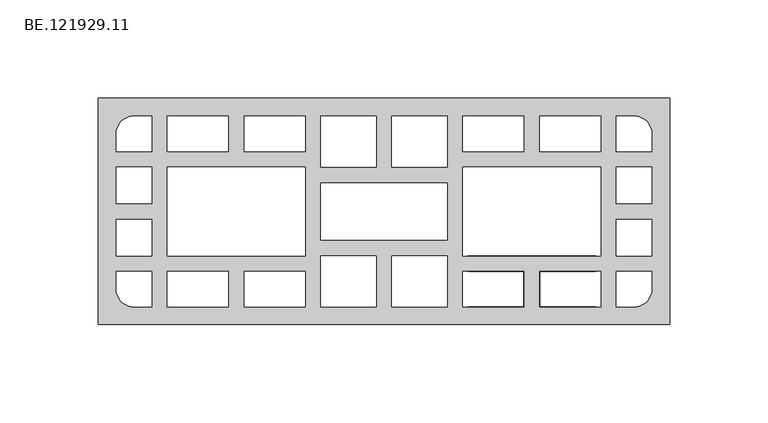
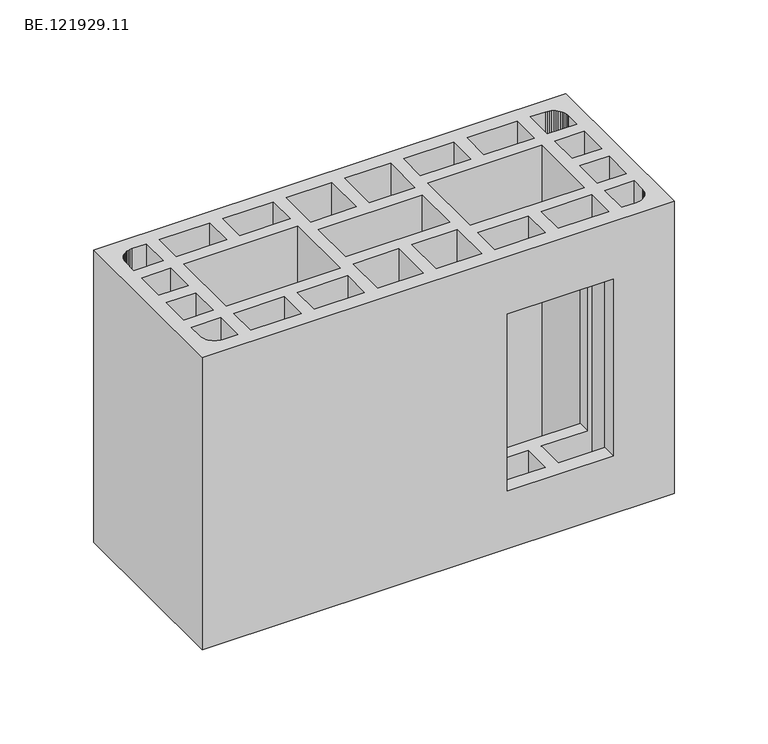
"""IFC4 building model written with IfcOpenShell, lengths in millimetres: proxy geometry, BE.121929.11."""

from ifc_helpers import new_model, si_unit, origin, place, context, project, spatial, faceted_brep, source, transform, mapped, element, save


def be_121929_11_0b062c3d(model_context):
    return source(origin(), model_context, "Body", "Brep", [
        faceted_brep([(295.0, 57.5034668, 190.0), (5.0, 57.5034668, 190.0), (5.0, -57.5034668, 190.0), (295.0, -57.5034668, 190.0), (71.0052734, 48.4993652, 190.0), (71.0052734, 30.5097656, 190.0), (39.9932129, 30.5097656, 190.0), (39.9932129, 48.4993652, 190.0), (110.0075439, 48.4993652, 190.0), (110.0075439, 30.5097656, 190.0), (79.0047852, 30.5097656, 190.0), (79.0047852, 48.4993652, 190.0), (145.9960449, 48.4993652, 190.0), (145.9960449, 22.5009521, 190.0), (118.0070557, 22.5009521, 190.0), (118.0070557, 48.4993652, 190.0), (182.0031494, 14.5014404, 190.0), (182.0031494, -14.5014404, 190.0), (118.0070557, -14.5014404, 190.0), (118.0070557, 14.5014404, 190.0), (182.0031494, 22.5009521, 190.0), (153.9955566, 22.5009521, 190.0), (153.9955566, 48.4993652, 190.0), (182.0031494, 48.4993652, 190.0), (110.0075439, 22.5009521, 190.0), (110.0075439, -22.5009521, 190.0), (39.9932129, -22.5009521, 190.0), (39.9932129, 22.5009521, 190.0), (71.0052734, -48.4993652, 190.0), (39.9932129, -48.4993652, 190.0), (39.9932129, -30.5004639, 190.0), (71.0052734, -30.5004639, 190.0), (110.0075439, -48.4993652, 190.0), (79.0047852, -48.4993652, 190.0), (79.0047852, -30.5004639, 190.0), (110.0075439, -30.5004639, 190.0), (145.9960449, -48.4993652, 190.0), (118.0070557, -48.4993652, 190.0), (118.0070557, -22.5009521, 190.0), (145.9960449, -22.5009521, 190.0), (182.0031494, -22.5009521, 190.0), (182.0031494, -48.4993652, 190.0), (153.9955566, -48.4993652, 190.0), (153.9955566, -22.5009521, 190.0), (32.0020996, 22.5009521, 190.0), (32.0020996, 3.9997559, 190.0), (14.0125, 3.9997559, 190.0), (14.0125, 22.5009521, 190.0), (32.0020996, -22.5009521, 190.0), (14.0125, -22.5009521, 190.0), (14.0125, -3.9997559, 190.0), (32.0020996, -3.9997559, 190.0), (14.0041016, 30.5004639, 190.0), (14.0041016, 39.5045654, 190.0), (14.0785156, 40.6765869, 190.0), (14.3110596, 41.8300049, 190.0), (14.6924316, 42.9462158, 190.0), (15.2133301, 43.9973145, 190.0), (15.8644531, 44.9833008, 190.0), (16.636499, 45.8669678, 190.0), (17.5294678, 46.6390137, 190.0), (18.5061523, 47.2994385, 190.0), (19.557251, 47.8203369, 190.0), (20.6734619, 48.1924072, 190.0), (21.8268799, 48.4249512, 190.0), (23.0082031, 48.4993652, 190.0), (32.0030029, 48.4993652, 190.0), (32.0030029, 30.5004639, 190.0), (14.0041016, -30.5004639, 190.0), (32.0030029, -30.5004639, 190.0), (32.0030029, -48.4993652, 190.0), (23.0082031, -48.4993652, 190.0), (21.8268799, -48.4249512, 190.0), (20.6734619, -48.1924072, 190.0), (19.557251, -47.8203369, 190.0), (18.5061523, -47.2994385, 190.0), (17.5294678, -46.6390137, 190.0), (16.636499, -45.8669678, 190.0), (15.8644531, -44.9833008, 190.0), (15.2133301, -43.9973145, 190.0), (14.6924316, -42.9462158, 190.0), (14.3110596, -41.8300049, 190.0), (14.0785156, -40.6765869, 190.0), (14.0041016, -39.5045654, 190.0), (229.0049316, 48.4993652, 190.0), (260.0169922, 48.4993652, 190.0), (260.0169922, 30.5097656, 190.0), (229.0049316, 30.5097656, 190.0), (190.0026611, 48.4993652, 190.0), (221.0054199, 48.4993652, 190.0), (221.0054199, 30.5097656, 190.0), (190.0026611, 30.5097656, 190.0), (190.0026611, 22.5009521, 190.0), (260.0169922, 22.5009521, 190.0), (260.0169922, -22.5009521, 190.0), (190.0026611, -22.5009521, 190.0), (229.0049316, -48.4993652, 190.0), (229.0049316, -30.5004639, 190.0), (260.0169922, -30.5004639, 190.0), (260.0169922, -48.4993652, 190.0), (190.0026611, -48.4993652, 190.0), (190.0026611, -30.5004639, 190.0), (221.0054199, -30.5004639, 190.0), (221.0054199, -48.4993652, 190.0), (268.0081055, 22.5009521, 190.0), (285.9977051, 22.5009521, 190.0), (285.9977051, 3.9997559, 190.0), (268.0081055, 3.9997559, 190.0), (268.0081055, -22.5009521, 190.0), (268.0081055, -3.9997559, 190.0), (285.9977051, -3.9997559, 190.0), (285.9977051, -22.5009521, 190.0), (286.0061035, 30.5004639, 190.0), (268.0072021, 30.5004639, 190.0), (268.0072021, 48.4993652, 190.0), (277.002002, 48.4993652, 190.0), (278.1833252, 48.4249512, 190.0), (279.3367432, 48.1924072, 190.0), (280.4529541, 47.8203369, 190.0), (281.5040527, 47.2994385, 190.0), (282.4807373, 46.6390137, 190.0), (283.3737061, 45.8669678, 190.0), (284.145752, 44.9833008, 190.0), (284.796875, 43.9973145, 190.0), (285.3177734, 42.9462158, 190.0), (285.6991455, 41.8300049, 190.0), (285.9316895, 40.6765869, 190.0), (286.0061035, 39.5045654, 190.0), (286.0061035, -30.5004639, 190.0), (286.0061035, -39.5045654, 190.0), (285.9316895, -40.6765869, 190.0), (285.6991455, -41.8300049, 190.0), (285.3177734, -42.9462158, 190.0), (284.796875, -43.9973145, 190.0), (284.145752, -44.9833008, 190.0), (283.3737061, -45.8669678, 190.0), (282.4807373, -46.6390137, 190.0), (281.5040527, -47.2994385, 190.0), (280.4529541, -47.8203369, 190.0), (279.3367432, -48.1924072, 190.0), (278.1833252, -48.4249512, 190.0), (277.002002, -48.4993652, 190.0), (268.0072021, -48.4993652, 190.0), (268.0072021, -30.5004639, 190.0), (295.0, 57.5034668, 0.0), (295.0, -57.5034668, 0.0), (5.0, -57.5034668, 0.0), (5.0, 57.5034668, 0.0), (71.0052734, 48.4993652, 0.0), (39.9932129, 48.4993652, 0.0), (39.9932129, 30.5097656, 0.0), (71.0052734, 30.5097656, 0.0), (110.0075439, 48.4993652, 0.0), (79.0047852, 48.4993652, 0.0), (79.0047852, 30.5097656, 0.0), (110.0075439, 30.5097656, 0.0), (145.9960449, 48.4993652, 0.0), (118.0070557, 48.4993652, 0.0), (118.0070557, 22.5009521, 0.0), (145.9960449, 22.5009521, 0.0), (182.0031494, 14.5014404, 0.0), (118.0070557, 14.5014404, 0.0), (118.0070557, -14.5014404, 0.0), (182.0031494, -14.5014404, 0.0), (182.0031494, 22.5009521, 0.0), (182.0031494, 48.4993652, 0.0), (153.9955566, 48.4993652, 0.0), (153.9955566, 22.5009521, 0.0), (110.0075439, 22.5009521, 0.0), (39.9932129, 22.5009521, 0.0), (39.9932129, -22.5009521, 0.0), (110.0075439, -22.5009521, 0.0), (71.0052734, -48.4993652, 0.0), (71.0052734, -30.5004639, 0.0), (39.9932129, -30.5004639, 0.0), (39.9932129, -48.4993652, 0.0), (110.0075439, -48.4993652, 0.0), (110.0075439, -30.5004639, 0.0), (79.0047852, -30.5004639, 0.0), (79.0047852, -48.4993652, 0.0), (145.9960449, -48.4993652, 0.0), (145.9960449, -22.5009521, 0.0), (118.0070557, -22.5009521, 0.0), (118.0070557, -48.4993652, 0.0), (182.0031494, -22.5009521, 0.0), (153.9955566, -22.5009521, 0.0), (153.9955566, -48.4993652, 0.0), (182.0031494, -48.4993652, 0.0), (32.0020996, 22.5009521, 0.0), (14.0125, 22.5009521, 0.0), (14.0125, 3.9997559, 0.0), (32.0020996, 3.9997559, 0.0), (32.0020996, -22.5009521, 0.0), (32.0020996, -3.9997559, 0.0), (14.0125, -3.9997559, 0.0), (14.0125, -22.5009521, 0.0), (14.0041016, 30.5004639, 0.0), (32.0030029, 30.5004639, 0.0), (32.0030029, 48.4993652, 0.0), (23.0082031, 48.4993652, 0.0), (21.8268799, 48.4249512, 0.0), (20.6734619, 48.1924072, 0.0), (19.557251, 47.8203369, 0.0), (18.5061523, 47.2994385, 0.0), (17.5294678, 46.6390137, 0.0), (16.636499, 45.8669678, 0.0), (15.8644531, 44.9833008, 0.0), (15.2133301, 43.9973145, 0.0), (14.6924316, 42.9462158, 0.0), (14.3110596, 41.8300049, 0.0), (14.0785156, 40.6765869, 0.0), (14.0041016, 39.5045654, 0.0), (14.0041016, -30.5004639, 0.0), (14.0041016, -39.5045654, 0.0), (14.0785156, -40.6765869, 0.0), (14.3110596, -41.8300049, 0.0), (14.6924316, -42.9462158, 0.0), (15.2133301, -43.9973145, 0.0), (15.8644531, -44.9833008, 0.0), (16.636499, -45.8669678, 0.0), (17.5294678, -46.6390137, 0.0), (18.5061523, -47.2994385, 0.0), (19.557251, -47.8203369, 0.0), (20.6734619, -48.1924072, 0.0), (21.8268799, -48.4249512, 0.0), (23.0082031, -48.4993652, 0.0), (32.0030029, -48.4993652, 0.0), (32.0030029, -30.5004639, 0.0), (229.0049316, 48.4993652, 0.0), (229.0049316, 30.5097656, 0.0), (260.0169922, 30.5097656, 0.0), (260.0169922, 48.4993652, 0.0), (190.0026611, 48.4993652, 0.0), (190.0026611, 30.5097656, 0.0), (221.0054199, 30.5097656, 0.0), (221.0054199, 48.4993652, 0.0), (190.0026611, 22.5009521, 0.0), (190.0026611, -22.5009521, 0.0), (260.0169922, -22.5009521, 0.0), (260.0169922, 22.5009521, 0.0), (229.0049316, -48.4993652, 0.0), (260.0169922, -48.4993652, 0.0), (260.0169922, -30.5004639, 0.0), (229.0049316, -30.5004639, 0.0), (190.0026611, -48.4993652, 0.0), (221.0054199, -48.4993652, 0.0), (221.0054199, -30.5004639, 0.0), (190.0026611, -30.5004639, 0.0), (268.0081055, 22.5009521, 0.0), (268.0081055, 3.9997559, 0.0), (285.9977051, 3.9997559, 0.0), (285.9977051, 22.5009521, 0.0), (268.0081055, -22.5009521, 0.0), (285.9977051, -22.5009521, 0.0), (285.9977051, -3.9997559, 0.0), (268.0081055, -3.9997559, 0.0), (286.0061035, 30.5004639, 0.0), (286.0061035, 39.5045654, 0.0), (285.9316895, 40.6765869, 0.0), (285.6991455, 41.8300049, 0.0), (285.3177734, 42.9462158, 0.0), (284.796875, 43.9973145, 0.0), (284.145752, 44.9833008, 0.0), (283.3737061, 45.8669678, 0.0), (282.4807373, 46.6390137, 0.0), (281.5040527, 47.2994385, 0.0), (280.4529541, 47.8203369, 0.0), (279.3367432, 48.1924072, 0.0), (278.1833252, 48.4249512, 0.0), (277.002002, 48.4993652, 0.0), (268.0072021, 48.4993652, 0.0), (268.0072021, 30.5004639, 0.0), (286.0061035, -30.5004639, 0.0), (268.0072021, -30.5004639, 0.0), (268.0072021, -48.4993652, 0.0), (277.002002, -48.4993652, 0.0), (278.1833252, -48.4249512, 0.0), (279.3367432, -48.1924072, 0.0), (280.4529541, -47.8203369, 0.0), (281.5040527, -47.2994385, 0.0), (282.4807373, -46.6390137, 0.0), (283.3737061, -45.8669678, 0.0), (284.145752, -44.9833008, 0.0), (284.796875, -43.9973145, 0.0), (285.3177734, -42.9462158, 0.0), (285.6991455, -41.8300049, 0.0), (285.9316895, -40.6765869, 0.0), (286.0061035, -39.5045654, 0.0), (192.504834, -57.5034668, 152.5023193), (257.5055176, -57.5034668, 152.5023193), (257.5055176, -57.5034668, 37.5046875), (192.504834, -57.5034668, 37.5046875), (257.5055176, -22.5009521, 152.5023193), (192.504834, -22.5009521, 152.5023193), (192.504834, -22.5009521, 37.5046875), (257.5055176, -22.5009521, 37.5046875), (229.0049316, -48.4993652, 152.5023193), (229.0049316, -30.5004639, 152.5023193), (229.0049316, -30.5004639, 37.5046875), (229.0049316, -48.4993652, 37.5046875), (257.5055176, -30.5004639, 152.5023193), (257.5055176, -30.5004639, 37.5046875), (257.5055176, -48.4993652, 37.5046875), (257.5055176, -48.4993652, 152.5023193), (221.0054199, -30.5004639, 37.5046875), (192.504834, -30.5004639, 37.5046875), (192.504834, -30.5004639, 152.5023193), (221.0054199, -30.5004639, 152.5023193), (221.0054199, -48.4993652, 152.5023193), (221.0054199, -48.4993652, 37.5046875), (192.504834, -48.4993652, 152.5023193), (192.504834, -48.4993652, 37.5046875)], [[[0, 1, 2, 3], [4, 5, 6, 7], [8, 9, 10, 11], [12, 13, 14, 15], [16, 17, 18, 19], [20, 21, 22, 23], [24, 25, 26, 27], [28, 29, 30, 31], [32, 33, 34, 35], [36, 37, 38, 39], [40, 41, 42, 43], [44, 45, 46, 47], [48, 49, 50, 51], [52, 53, 54, 55, 56, 57, 58, 59, 60, 61, 62, 63, 64, 65, 66, 67], [68, 69, 70, 71, 72, 73, 74, 75, 76, 77, 78, 79, 80, 81, 82, 83], [84, 85, 86, 87], [88, 89, 90, 91], [92, 93, 94, 95], [96, 97, 98, 99], [100, 101, 102, 103], [104, 105, 106, 107], [108, 109, 110, 111], [112, 113, 114, 115, 116, 117, 118, 119, 120, 121, 122, 123, 124, 125, 126, 127], [128, 129, 130, 131, 132, 133, 134, 135, 136, 137, 138, 139, 140, 141, 142, 143]], [[144, 145, 146, 147], [148, 149, 150, 151], [152, 153, 154, 155], [156, 157, 158, 159], [160, 161, 162, 163], [164, 165, 166, 167], [168, 169, 170, 171], [172, 173, 174, 175], [176, 177, 178, 179], [180, 181, 182, 183], [184, 185, 186, 187], [188, 189, 190, 191], [192, 193, 194, 195], [196, 197, 198, 199, 200, 201, 202, 203, 204, 205, 206, 207, 208, 209, 210, 211], [212, 213, 214, 215, 216, 217, 218, 219, 220, 221, 222, 223, 224, 225, 226, 227], [228, 229, 230, 231], [232, 233, 234, 235], [236, 237, 238, 239], [240, 241, 242, 243], [244, 245, 246, 247], [248, 249, 250, 251], [252, 253, 254, 255], [256, 257, 258, 259, 260, 261, 262, 263, 264, 265, 266, 267, 268, 269, 270, 271], [272, 273, 274, 275, 276, 277, 278, 279, 280, 281, 282, 283, 284, 285, 286, 287]], [[1, 0, 144, 147]], [[2, 1, 147, 146]], [[3, 2, 146, 145], [288, 289, 290, 291]], [[0, 3, 145, 144]], [[5, 4, 148, 151]], [[6, 5, 151, 150]], [[7, 6, 150, 149]], [[4, 7, 149, 148]], [[9, 8, 152, 155]], [[10, 9, 155, 154]], [[11, 10, 154, 153]], [[8, 11, 153, 152]], [[13, 12, 156, 159]], [[14, 13, 159, 158]], [[15, 14, 158, 157]], [[12, 15, 157, 156]], [[17, 16, 160, 163]], [[18, 17, 163, 162]], [[19, 18, 162, 161]], [[16, 19, 161, 160]], [[21, 20, 164, 167]], [[22, 21, 167, 166]], [[23, 22, 166, 165]], [[20, 23, 165, 164]], [[25, 24, 168, 171]], [[26, 25, 171, 170]], [[27, 26, 170, 169]], [[24, 27, 169, 168]], [[29, 28, 172, 175]], [[30, 29, 175, 174]], [[31, 30, 174, 173]], [[28, 31, 173, 172]], [[33, 32, 176, 179]], [[34, 33, 179, 178]], [[35, 34, 178, 177]], [[32, 35, 177, 176]], [[37, 36, 180, 183]], [[38, 37, 183, 182]], [[39, 38, 182, 181]], [[36, 39, 181, 180]], [[41, 40, 184, 187]], [[42, 41, 187, 186]], [[43, 42, 186, 185]], [[40, 43, 185, 184]], [[45, 44, 188, 191]], [[46, 45, 191, 190]], [[47, 46, 190, 189]], [[44, 47, 189, 188]], [[49, 48, 192, 195]], [[50, 49, 195, 194]], [[51, 50, 194, 193]], [[48, 51, 193, 192]], [[53, 52, 196, 211]], [[54, 53, 211, 210]], [[55, 54, 210, 209]], [[56, 55, 209, 208]], [[57, 56, 208, 207]], [[58, 57, 207, 206]], [[59, 58, 206, 205]], [[60, 59, 205, 204]], [[61, 60, 204, 203]], [[62, 61, 203, 202]], [[63, 62, 202, 201]], [[64, 63, 201, 200]], [[65, 64, 200, 199]], [[66, 65, 199, 198]], [[67, 66, 198, 197]], [[52, 67, 197, 196]], [[69, 68, 212, 227]], [[70, 69, 227, 226]], [[71, 70, 226, 225]], [[72, 71, 225, 224]], [[73, 72, 224, 223]], [[74, 73, 223, 222]], [[75, 74, 222, 221]], [[76, 75, 221, 220]], [[77, 76, 220, 219]], [[78, 77, 219, 218]], [[79, 78, 218, 217]], [[80, 79, 217, 216]], [[81, 80, 216, 215]], [[82, 81, 215, 214]], [[83, 82, 214, 213]], [[68, 83, 213, 212]], [[85, 84, 228, 231]], [[86, 85, 231, 230]], [[87, 86, 230, 229]], [[84, 87, 229, 228]], [[89, 88, 232, 235]], [[90, 89, 235, 234]], [[91, 90, 234, 233]], [[88, 91, 233, 232]], [[93, 92, 236, 239]], [[94, 93, 239, 238]], [[95, 94, 238, 237], [292, 293, 294, 295]], [[92, 95, 237, 236]], [[97, 96, 296, 297]], [[240, 243, 298, 299]], [[98, 97, 297, 300, 301, 298, 243, 242]], [[99, 98, 242, 241]], [[96, 99, 241, 240, 299, 302, 303, 296]], [[101, 100, 244, 247]], [[102, 101, 247, 246, 304, 305, 306, 307]], [[103, 102, 307, 308]], [[246, 245, 309, 304]], [[100, 103, 308, 310, 311, 309, 245, 244]], [[105, 104, 248, 251]], [[106, 105, 251, 250]], [[107, 106, 250, 249]], [[104, 107, 249, 248]], [[109, 108, 252, 255]], [[110, 109, 255, 254]], [[111, 110, 254, 253]], [[108, 111, 253, 252]], [[113, 112, 256, 271]], [[114, 113, 271, 270]], [[115, 114, 270, 269]], [[116, 115, 269, 268]], [[117, 116, 268, 267]], [[118, 117, 267, 266]], [[119, 118, 266, 265]], [[120, 119, 265, 264]], [[121, 120, 264, 263]], [[122, 121, 263, 262]], [[123, 122, 262, 261]], [[124, 123, 261, 260]], [[125, 124, 260, 259]], [[126, 125, 259, 258]], [[127, 126, 258, 257]], [[112, 127, 257, 256]], [[129, 128, 272, 287]], [[130, 129, 287, 286]], [[131, 130, 286, 285]], [[132, 131, 285, 284]], [[133, 132, 284, 283]], [[134, 133, 283, 282]], [[135, 134, 282, 281]], [[136, 135, 281, 280]], [[137, 136, 280, 279]], [[138, 137, 279, 278]], [[139, 138, 278, 277]], [[140, 139, 277, 276]], [[141, 140, 276, 275]], [[142, 141, 275, 274]], [[143, 142, 274, 273]], [[128, 143, 273, 272]], [[292, 300, 297, 296, 303, 289, 288, 310, 308, 307, 306, 293]], [[310, 288, 291, 311]], [[293, 306, 305, 294]], [[294, 305, 304, 309, 311, 291, 290, 302, 299, 298, 301, 295]], [[300, 292, 295, 301]], [[289, 303, 302, 290]]]),
    ])


if __name__ == "__main__":
    model = new_model("IFC4")
    model_context = context("Model", 3, world=origin())
    ifc_project = project(units=[si_unit("LENGTHUNIT", "METRE", prefix="MILLI")], contexts=[model_context])
    site = spatial("IfcSite", under=ifc_project)
    building = spatial("IfcBuilding", under=site)
    placement = place(None, origin())
    be_121929_11_shape = be_121929_11_0b062c3d(model_context)
    element("IfcBuildingElementProxy", 1, Name="BE.121929.11", ObjectType="BE.121929.11", at=placement, inside=building, context=model_context, shape_type="MappedRepresentation", body=[
        mapped(be_121929_11_shape, transform((0.0, 0.0, 0.0), x_axis=(1.0, 0.0, 0.0), y_axis=(0.0, 1.0, 0.0), z_axis=(0.0, 0.0, 1.0))),
    ])
    save(model, "model.ifc")
